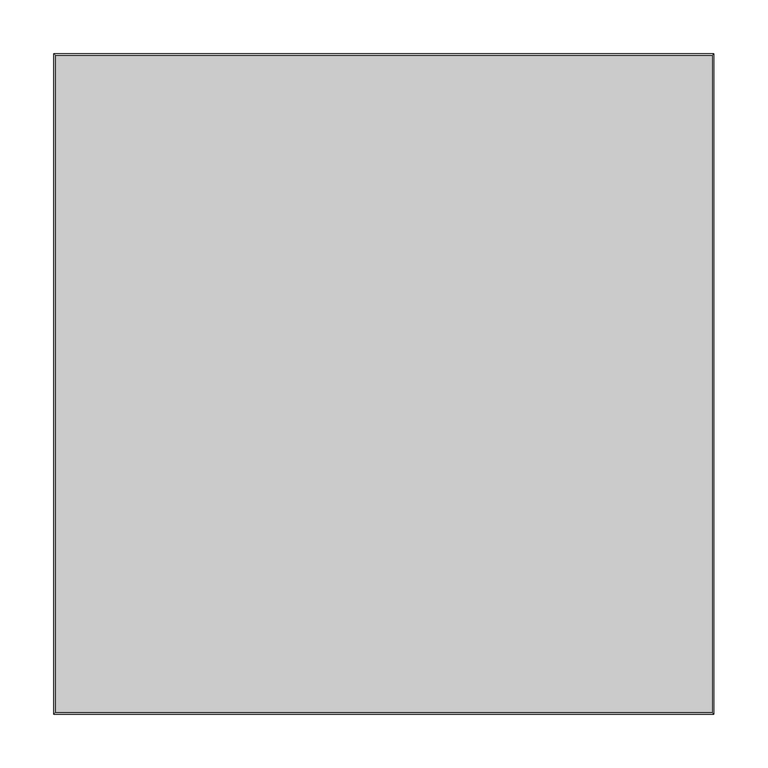
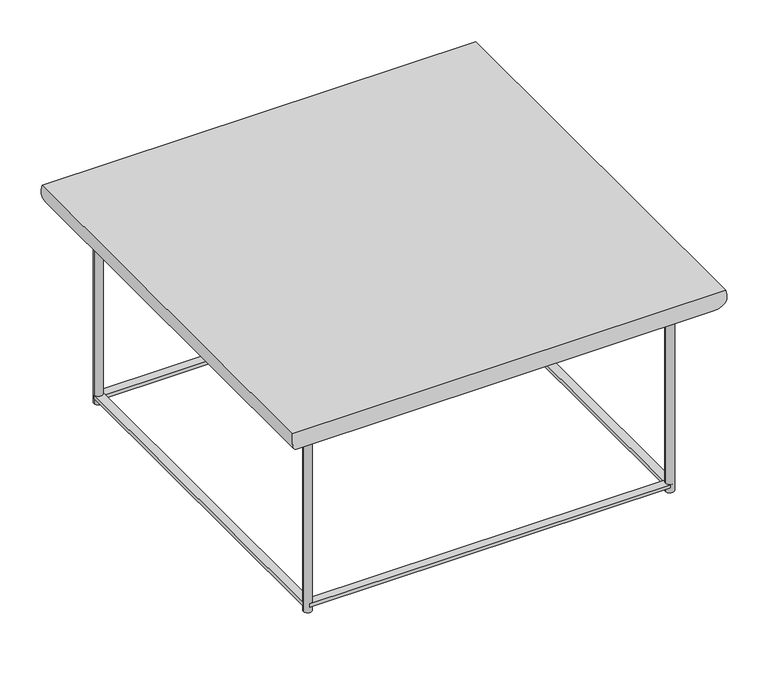
"""IFC4 building model written with IfcOpenShell, lengths in millimetres: furniture geometry."""

from ifc_helpers import new_model, si_unit, point, frame, frame_2d, origin, origin_with_axes, place, context, project, spatial, polyline, circle_curve, ellipse_curve, trimmed, segment, composite_curve, outline, extrude, source, transform, mapped, element, save
from ifc_brep_helpers import plane_surface, cylinder_surface, advanced_brep


def furniture_a3458a1f(model_context):
    return source(origin(), model_context, "Body", "SolidModel", [
        advanced_brep(
        [(274.60956, 274.61718, 269.88008), (304.8, 304.80762, 309.88), (304.8, -304.80762, 309.88), (274.60956, -274.61718, 269.88008), (-304.8, -304.80762, 309.88), (-274.60956, -274.61718, 269.88008), (-304.8, 304.80762, 309.88), (-274.60956, 274.61718, 269.88008)],
        [
            (0, 1, ellipse_curve(frame((274.60956, 274.61718, 301.2733461), z_axis=(0.7071067811865475, -0.7071067811865475, 0.0), x_axis=(0.7071067811865474, 0.7071067811865476, 0.0)), 44.3967827, 31.3932661)),
            (1, 2),
            (2, 3, ellipse_curve(frame((274.60956, -274.61718, 301.2733461), z_axis=(0.7071067811865475, 0.7071067811865475, 0.0), x_axis=(-0.7071067811865474, 0.7071067811865476, 0.0)), 44.3967827, 31.3932661)),
            (3, 0),
            (2, 4),
            (4, 5, ellipse_curve(frame((-274.60956, -274.61718, 301.2733461), z_axis=(0.7071067811865475, -0.7071067811865475, 0.0), x_axis=(0.7071067811865476, 0.7071067811865474, 0.0)), 44.3967827, 31.3932661)),
            (5, 3),
            (4, 6),
            (6, 7, ellipse_curve(frame((-274.60956, 274.61718, 301.2733461), z_axis=(-0.7071067811865475, -0.7071067811865475, 0.0), x_axis=(0.7071067811865474, -0.7071067811865476, 0.0)), 44.3967827, 31.3932661)),
            (7, 5),
            (1, 6),
            (0, 7),
        ],
        [
            cylinder_surface(frame((274.60956, 254.82042, 301.2733461), z_axis=(0.0, 1.0, 0.0), x_axis=(1.0, 0.0, 0.0)), 31.3932661),
            cylinder_surface(frame((254.8128, -274.61718, 301.2733461), z_axis=(1.0, 0.0, 0.0), x_axis=(0.0, -1.0, 0.0)), 31.3932661),
            cylinder_surface(frame((-274.60956, -254.82042, 301.2733461), z_axis=(0.0, -1.0, 0.0), x_axis=(-1.0, 0.0, 0.0)), 31.3932661),
            plane_surface(frame((-254.8128, 254.82042, 309.88), z_axis=(0.0, 0.0, 1.0), x_axis=(1.0, 0.0, 0.0))),
            cylinder_surface(frame((-254.8128, 274.61718, 301.2733461), z_axis=(-1.0, 0.0, 0.0), x_axis=(0.0, 1.0, 0.0)), 31.3932661),
            plane_surface(frame((-274.60956, 274.61718, 269.88008), z_axis=(0.0, 0.0, -1.0), x_axis=(1.0, 0.0, 0.0))),
        ],
        [
            (0, [[1, 2, 3, 4]]),
            (1, [[-3, 5, 6, 7]]),
            (2, [[-6, 8, 9, 10]]),
            (3, [[-2, 11, -8, -5]]),
            (4, [[-1, 12, -9, -11]]),
            (5, [[-4, -7, -10, -12]]),
        ],
    ),
        advanced_brep(
        [(-248.81332, -254.82042, 12.50061), (-260.81228, -254.82042, 12.50061), (-260.81228, -254.82042, 7.49935), (-248.81332, -254.82042, 7.49935), (-248.81332, 254.82042, 269.88008), (-260.81228, 254.82042, 269.88008), (-248.81332, 254.82042, 0.0), (-260.81228, 254.82042, 0.0), (-248.81332, 254.82042, 12.50061), (-260.81228, 254.82042, 12.50061), (-260.81228, 254.82042, 7.49935), (-248.81332, 254.82042, 7.49935)],
        [
            (0, 1),
            (1, 2),
            (2, 3),
            (3, 0),
            (4, 5, circle_curve(frame((-254.8128, 254.82042, 269.88008), z_axis=(0.0, 0.0, 1.0), x_axis=(1.0, 0.0, 0.0)), 5.99948)),
            (5, 4, circle_curve(frame((-254.8128, 254.82042, 269.88008), z_axis=(0.0, 0.0, 1.0), x_axis=(1.0, 0.0, 0.0)), 5.99948)),
            (6, 7, circle_curve(frame((-254.8128, 254.82042, 0.0), z_axis=(0.0, 0.0, -1.0), x_axis=(1.0, 0.0, 0.0)), 5.99948)),
            (7, 6, circle_curve(frame((-254.8128, 254.82042, 0.0), z_axis=(0.0, 0.0, -1.0), x_axis=(1.0, 0.0, 0.0)), 5.99948)),
            (0, 8),
            (8, 9, circle_curve(frame((-254.8128, 254.82042, 12.50061), z_axis=(0.0, 0.0, -1.0), x_axis=(1.0, 0.0, 0.0)), 5.99948)),
            (9, 1),
            (9, 10),
            (10, 2),
            (10, 11, circle_curve(frame((-254.8128, 254.82042, 7.49935), z_axis=(0.0, 0.0, 1.0), x_axis=(1.0, 0.0, 0.0)), 5.99948)),
            (11, 3),
            (11, 8),
            (4, 8),
            (11, 6),
            (7, 10),
            (9, 5),
        ],
        [
            plane_surface(frame((-248.81332, -254.82042, 12.50061), z_axis=(0.0, -1.0, 0.0), x_axis=(-1.0, 0.0, 0.0))),
            plane_surface(frame((-248.81332, 254.82042, 269.88008), z_axis=(0.0, 0.0, 1.0), x_axis=(0.0, 1.0, 0.0))),
            plane_surface(frame((-248.81332, 254.82042, 0.0), z_axis=(0.0, 0.0, -1.0), x_axis=(0.0, -1.0, 0.0))),
            plane_surface(frame((-248.81332, -254.82042, 12.50061), z_axis=(0.0, 0.0, 1.0), x_axis=(0.0, 1.0, 0.0))),
            plane_surface(frame((-260.81228, -254.82042, 12.50061), z_axis=(-1.0, 0.0, 0.0), x_axis=(0.0, 1.0, 0.0))),
            plane_surface(frame((-260.81228, -254.82042, 7.49935), z_axis=(0.0, 0.0, -1.0), x_axis=(0.0, 1.0, 0.0))),
            plane_surface(frame((-248.81332, -254.82042, 7.49935), z_axis=(1.0, 0.0, 0.0), x_axis=(0.0, 1.0, 0.0))),
            cylinder_surface(frame((-254.8128, 254.82042, 0.0), z_axis=(0.0, 0.0, 1.0), x_axis=(1.0, 0.0, 0.0)), 5.99948),
        ],
        [
            (0, [[1, 2, 3, 4]]),
            (1, [[5, 6]]),
            (2, [[7, 8]]),
            (3, [[-1, 9, 10, 11]]),
            (4, [[-2, -11, 12, 13]]),
            (5, [[-3, -13, 14, 15]]),
            (6, [[-4, -15, 16, -9]]),
            (7, [[-5, 17, -16, 18, -8, 19, -12, 20]]),
            (7, [[-6, -20, -10, -17]]),
            (7, [[-7, -18, -14, -19]]),
        ],
    ),
        advanced_brep(
        [(260.81228, 254.82042, 269.88008), (248.81332, 254.82042, 269.88008), (260.81228, 254.82042, 0.0), (248.81332, 254.82042, 0.0)],
        [
            (0, 1, circle_curve(frame((254.8128, 254.82042, 269.88008), z_axis=(0.0, 0.0, 1.0), x_axis=(1.0, 0.0, 0.0)), 5.99948)),
            (1, 0, circle_curve(frame((254.8128, 254.82042, 269.88008), z_axis=(0.0, 0.0, 1.0), x_axis=(1.0, 0.0, 0.0)), 5.99948)),
            (2, 3, circle_curve(frame((254.8128, 254.82042, 0.0), z_axis=(0.0, 0.0, -1.0), x_axis=(1.0, 0.0, 0.0)), 5.99948)),
            (3, 2, circle_curve(frame((254.8128, 254.82042, 0.0), z_axis=(0.0, 0.0, -1.0), x_axis=(1.0, 0.0, 0.0)), 5.99948)),
            (0, 2),
            (3, 1),
        ],
        [
            plane_surface(frame((260.81228, 254.82042, 269.88008), z_axis=(0.0, 0.0, 1.0), x_axis=(0.0, 1.0, 0.0))),
            plane_surface(frame((260.81228, 254.82042, 0.0), z_axis=(0.0, 0.0, -1.0), x_axis=(0.0, -1.0, 0.0))),
            cylinder_surface(frame((254.8128, 254.82042, 0.0), z_axis=(0.0, 0.0, 1.0), x_axis=(1.0, 0.0, 0.0)), 5.99948),
        ],
        [
            (0, [[1, 2]]),
            (1, [[3, 4]]),
            (2, [[-1, 5, -4, 6]]),
            (2, [[-2, -6, -3, -5]]),
        ],
    ),
        advanced_brep(
        [(260.81228, -254.82042, 269.88008), (248.81332, -254.82042, 269.88008), (260.81228, -254.82042, 0.0), (248.81332, -254.82042, 0.0)],
        [
            (0, 1, circle_curve(frame((254.8128, -254.82042, 269.88008), z_axis=(0.0, 0.0, 1.0), x_axis=(1.0, 0.0, 0.0)), 5.99948)),
            (1, 0, circle_curve(frame((254.8128, -254.82042, 269.88008), z_axis=(0.0, 0.0, 1.0), x_axis=(1.0, 0.0, 0.0)), 5.99948)),
            (2, 3, circle_curve(frame((254.8128, -254.82042, 0.0), z_axis=(0.0, 0.0, -1.0), x_axis=(1.0, 0.0, 0.0)), 5.99948)),
            (3, 2, circle_curve(frame((254.8128, -254.82042, 0.0), z_axis=(0.0, 0.0, -1.0), x_axis=(1.0, 0.0, 0.0)), 5.99948)),
            (0, 2),
            (3, 1),
        ],
        [
            plane_surface(frame((260.81228, -254.82042, 269.88008), z_axis=(0.0, 0.0, 1.0), x_axis=(0.0, 1.0, 0.0))),
            plane_surface(frame((260.81228, -254.82042, 0.0), z_axis=(0.0, 0.0, -1.0), x_axis=(0.0, -1.0, 0.0))),
            cylinder_surface(frame((254.8128, -254.82042, 0.0), z_axis=(0.0, 0.0, 1.0), x_axis=(1.0, 0.0, 0.0)), 5.99948),
        ],
        [
            (0, [[1, 2]]),
            (1, [[3, 4]]),
            (2, [[-1, 5, -4, 6]]),
            (2, [[-2, -6, -3, -5]]),
        ],
    ),
        extrude(outline(polyline([(254.8128, -248.82094), (254.8128, -260.8199), (-254.8128, -260.8199), (-254.8128, -248.82094), (254.8128, -248.82094)])), frame((0.0, 0.0, 7.49935), z_axis=(0.0, 0.0, 1.0), x_axis=(1.0, 0.0, 0.0)), (0.0, 0.0, 1.0), 5.00126),
        extrude(outline(polyline([(254.8128, 260.8199), (254.8128, 248.82094), (-254.8128, 248.82094), (-254.8128, 260.8199), (254.8128, 260.8199)])), frame((0.0, 0.0, 7.49935), z_axis=(0.0, 0.0, 1.0), x_axis=(1.0, 0.0, 0.0)), (0.0, 0.0, 1.0), 5.00126),
        extrude(outline(polyline([(260.81228, -254.82042), (248.81332, -254.82042), (248.81332, 254.82042), (260.81228, 254.82042), (260.81228, -254.82042)])), frame((0.0, 0.0, 7.49935), z_axis=(0.0, 0.0, 1.0), x_axis=(1.0, 0.0, 0.0)), (0.0, 0.0, 1.0), 5.00126),
        extrude(outline(composite_curve([segment(trimmed(circle_curve(frame_2d((-254.8128, -254.82042)), 5.99948), [point((-248.81332, -254.82042))], [point((-260.81228, -254.82042))], False, "CARTESIAN"), True, "CONTINUOUS"), segment(trimmed(circle_curve(frame_2d((-254.8128, -254.82042)), 5.99948), [point((-260.81228, -254.82042))], [point((-248.81332, -254.82042))], False, "CARTESIAN"), True, "CONTINUOUS")], self_intersect=False)), origin_with_axes(), (0.0, 0.0, 1.0), 269.88008),
    ])


if __name__ == "__main__":
    model = new_model("IFC4")
    model_context = context("Model", 3, world=origin())
    ifc_project = project(units=[si_unit("LENGTHUNIT", "METRE", prefix="MILLI")], contexts=[model_context])
    site = spatial("IfcSite", under=ifc_project)
    building = spatial("IfcBuilding", under=site)
    placement = place(None, origin())
    furniture_shape = furniture_a3458a1f(model_context)
    element("IfcFurniture", 1, at=placement, inside=building, context=model_context, shape_type="MappedRepresentation", body=[
        mapped(furniture_shape, transform((0.0, 0.0, 0.0), x_axis=(1.0, 0.0, 0.0), y_axis=(0.0, 1.0, 0.0), z_axis=(0.0, 0.0, 1.0))),
    ])
    save(model, "model.ifc")
